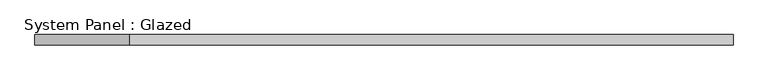
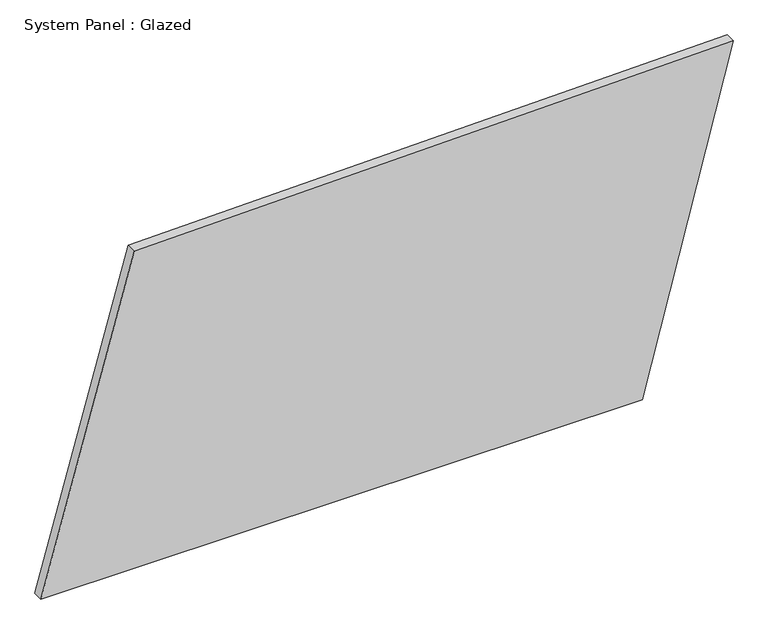
"""IFC4 building model written with IfcOpenShell, lengths in millimetres: plate geometry, System Panel : Glazed."""

from ifc_helpers import new_model, si_unit, frame, origin, place, context, project, spatial, polyline, outline, extrude, source, transform, mapped, element, save


def system_panel_glazed_f1a7306a(model_context):
    return source(origin(), model_context, "Body", "SweptSolid", [
        extrude(outline(polyline([(0.0, -837.009233), (0.0, 617.4555927), (841.2144719, 837.009233), (810.0943718, -611.4038711), (0.0, -837.009233)])), frame((0.0, -49.5, 0.0), z_axis=(0.0, 1.0, 0.0), x_axis=(0.0, 0.0, 1.0)), (0.0, 0.0, 1.0), 25.0),
    ])


if __name__ == "__main__":
    model = new_model("IFC4")
    model_context = context("Model", 3, world=origin())
    ifc_project = project(units=[si_unit("LENGTHUNIT", "METRE", prefix="MILLI")], contexts=[model_context])
    site = spatial("IfcSite", under=ifc_project)
    building = spatial("IfcBuilding", under=site)
    placement = place(None, origin())
    system_panel_glazed_shape = system_panel_glazed_f1a7306a(model_context)
    element("IfcPlate", 1, ObjectType="System Panel : Glazed", at=placement, inside=building, context=model_context, shape_type="MappedRepresentation", body=[
        mapped(system_panel_glazed_shape, transform((0.0, 0.0, 0.0), x_axis=(1.0, 0.0, 0.0), y_axis=(0.0, 1.0, 0.0), z_axis=(0.0, 0.0, 1.0))),
    ])
    save(model, "model.ifc")
